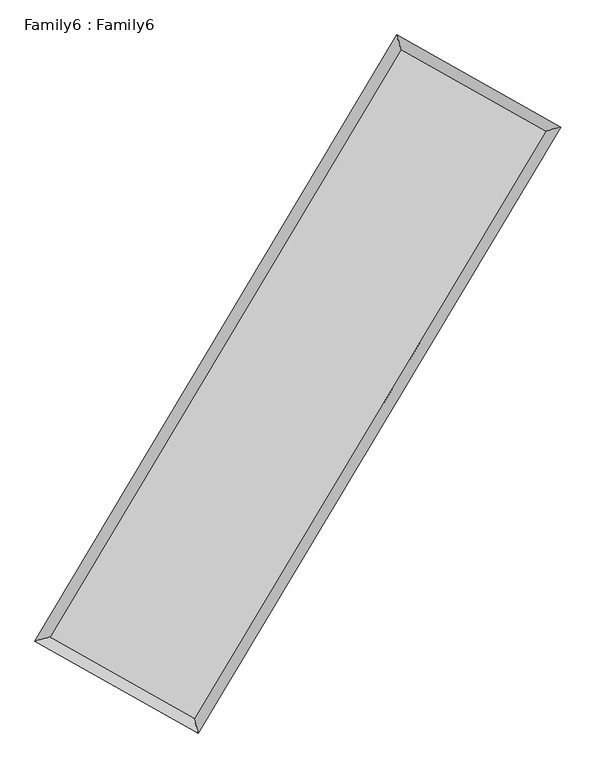
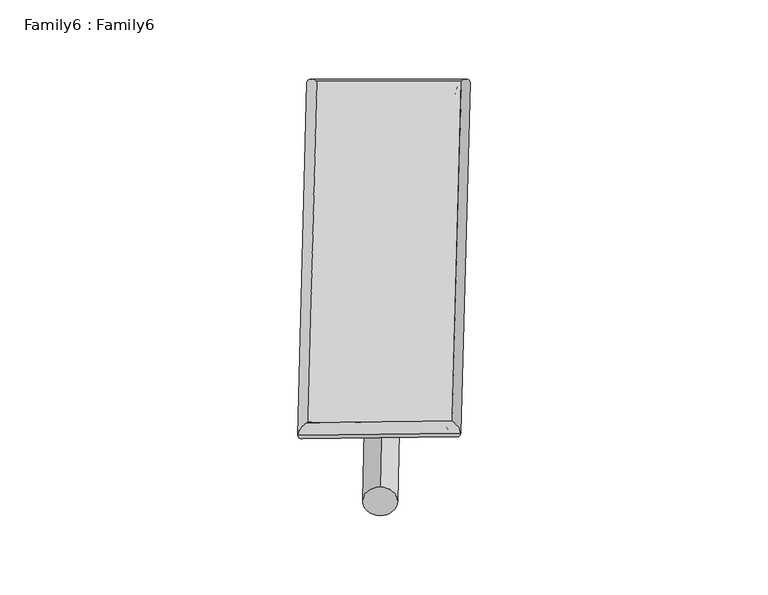
"""IFC4 building model written with IfcOpenShell, lengths in millimetres: plate geometry, Family6 : Family6."""

from ifc_helpers import new_model, si_unit, point, frame, origin, origin_2d, place, context, project, spatial, circle_curve, ellipse_curve, trimmed, segment, composite_curve, outline, extrude, source, transform, mapped, element, save
from ifc_brep_helpers import plane_surface, cylinder_surface, spline_surface, advanced_brep


def family6_family6_e6d0226b(model_context):
    return source(origin(), model_context, "Body", "SolidModel", [
        extrude(outline(composite_curve([segment(trimmed(circle_curve(origin_2d(), 76.2), [point((-75.4341514, -10.7763074))], [point((75.4341514, 10.7763074))], False, "CARTESIAN"), True, "CONTINUOUS"), segment(trimmed(circle_curve(origin_2d(), 76.2), [point((75.4341514, 10.7763074))], [point((-75.4341514, -10.7763074))], False, "CARTESIAN"), True, "CONTINUOUS")], self_intersect=False)), frame((9144.0, 9144.0, 0.0), z_axis=(0.6751268274553689, 0.6863735258758968, 0.2703611470362158), x_axis=(-0.6782241648257735, 0.7216789620735142, -0.13853323769723053)), (0.0, 0.0, 1.0), 5594.95578),
        extrude(outline(composite_curve([segment(trimmed(circle_curve(origin_2d(), 76.2), [point((-53.8815367, 53.8815367))], [point((53.8815367, -53.8815367))], False, "CARTESIAN"), True, "CONTINUOUS"), segment(trimmed(circle_curve(origin_2d(), 76.2), [point((53.8815367, -53.8815367))], [point((-53.8815367, 53.8815367))], False, "CARTESIAN"), True, "CONTINUOUS")], self_intersect=False)), frame((9144.0, 9144.0, 0.0), z_axis=(-0.6746639771115372, -0.6868205698779629, 0.2703812544917889), x_axis=(0.6394197809432166, -0.3608271598803825, 0.678930117487202)), (0.0, 0.0, 1.0), 5594.3093898),
        extrude(outline(composite_curve([segment(trimmed(circle_curve(origin_2d(), 76.2), [point((-53.8815367, -53.8815367))], [point((53.8815367, 53.8815367))], False, "CARTESIAN"), True, "CONTINUOUS"), segment(trimmed(circle_curve(origin_2d(), 76.2), [point((53.8815367, 53.8815367))], [point((-53.8815367, -53.8815367))], False, "CARTESIAN"), True, "CONTINUOUS")], self_intersect=False)), frame((9144.0, 9144.0, 0.0), z_axis=(0.28155015508034065, 0.9188052552233251, 0.2766340780674654), x_axis=(-0.8388824779366839, 0.37565557017908907, -0.3939023747126089)), (0.0, 0.0, 1.0), 5538.5646424),
        extrude(outline(composite_curve([segment(trimmed(circle_curve(origin_2d(), 76.2), [point((-75.4341514, 10.7763074))], [point((75.4341514, -10.7763074))], False, "CARTESIAN"), True, "CONTINUOUS"), segment(trimmed(circle_curve(origin_2d(), 76.2), [point((75.4341514, -10.7763074))], [point((-75.4341514, 10.7763074))], False, "CARTESIAN"), True, "CONTINUOUS")], self_intersect=False)), frame((9144.0, 9144.0, 0.0), z_axis=(-0.2822493436779725, -0.9186095806239715, 0.27657141280183883), x_axis=(0.8757893872901437, -0.12905569532899916, 0.46512103436966096)), (0.0, 0.0, 1.0), 5539.8296952),
        advanced_brep(
        [(5158.7916432, 5245.7280426, 1514.1453873), (5580.6634872, 5357.7172159, 1514.5882937), (5580.6503126, 5357.6984311, 1511.0473944), (10758.0553678, 14027.1960019, 1530.033707), (10648.7121002, 14438.5285977, 1534.2777403), (5158.7784686, 5245.7092578, 1510.6044879), (12710.2017237, 12928.1875581, 1512.8729889), (13132.4077674, 13040.2714937, 1512.4443357), (7525.8512073, 4260.7735352, 1531.801219), (7634.9222016, 3849.3451988, 1532.5158319)],
        [
            (0, 1, ellipse_curve(frame((5369.7209779, 5301.7132369, 1512.5963908), z_axis=(-0.2565653336419183, 0.9665178823439732, -0.004172850648272163), x_axis=(-0.9664974539697403, -0.2565888236456103, -0.006696794021900211)), 218.2600539, 152.4)),
            (1, 2, ellipse_curve(frame((5369.7209779, 5301.7132369, 1512.5963908), z_axis=(-0.2565653336419183, 0.9665178823439732, -0.004172850648272163), x_axis=(-0.9664974539697403, -0.2565888236456103, -0.006696794021900211)), 218.2600539, 152.4)),
            (2, 3),
            (3, 4, ellipse_curve(frame((10703.383734, 14232.8622998, 1532.1557237), z_axis=(-0.9664184881551785, -0.25694166616492575, 0.0040355842515106995), x_axis=(0.2569111050054223, -0.9664108759898767, -0.006833951519565633)), 212.820441, 152.4)),
            (4, 0),
            (2, 5, ellipse_curve(frame((5369.7209779, 5301.7132369, 1512.5963908), z_axis=(-0.2565653336419183, 0.9665178823439732, -0.004172850648272163), x_axis=(-0.9664974539697403, -0.2565888236456103, -0.006696794021900211)), 218.2600539, 152.4)),
            (5, 0, ellipse_curve(frame((5369.7209779, 5301.7132369, 1512.5963908), z_axis=(-0.2565653336419183, 0.9665178823439732, -0.004172850648272163), x_axis=(-0.9664974539697403, -0.2565888236456103, -0.006696794021900211)), 218.2600539, 152.4)),
            (4, 3, ellipse_curve(frame((10703.383734, 14232.8622998, 1532.1557237), z_axis=(-0.9664184881551785, -0.25694166616492575, 0.0040355842515106995), x_axis=(0.2569111050054223, -0.9664108759898767, -0.006833951519565633)), 212.820441, 152.4)),
            (3, 6),
            (6, 7, ellipse_curve(frame((12921.3047455, 12984.2295259, 1512.6586623), z_axis=(-0.2565784527400588, 0.9665145148480989, 0.0041461038893268265), x_axis=(-0.9664943412575623, -0.25660164413245073, 0.006654663450098408)), 218.4189837, 152.4)),
            (7, 4),
            (7, 6, ellipse_curve(frame((12921.3047455, 12984.2295259, 1512.6586623), z_axis=(-0.2565784527400588, 0.9665145148480989, 0.0041461038893268265), x_axis=(-0.9664943412575623, -0.25660164413245073, 0.006654663450098408)), 218.4189837, 152.4)),
            (6, 8),
            (8, 9, ellipse_curve(frame((7580.3867044, 4055.059367, 1532.1585255), z_axis=(0.96660037171307, 0.25625598693402496, 0.004073151681876901), x_axis=(-0.2562250530981888, 0.9665927853702958, -0.006863631321946628)), 212.8232224, 152.4)),
            (9, 7),
            (9, 8, ellipse_curve(frame((7580.3867044, 4055.059367, 1532.1585255), z_axis=(0.96660037171307, 0.25625598693402496, 0.004073151681876901), x_axis=(-0.2562250530981888, 0.9665927853702958, -0.006863631321946628)), 212.8232224, 152.4)),
            (8, 1),
            (5, 9),
        ],
        [
            cylinder_surface(frame((5369.7209779, 5301.7132369, 1512.5963908), z_axis=(-0.5127247704129254, -0.8585509737404925, -0.0018802378214563698), x_axis=(-0.8585013855784255, 0.5126686763962472, 0.012091286203038579)), 152.4),
            cylinder_surface(frame((10703.383734, 14232.8622998, 1532.1557237), z_axis=(-0.8713732694135579, 0.49056085264140176, 0.0076599743647143195), x_axis=(0.4906081210530843, 0.8713563968004334, 0.006457655280974445)), 152.4),
            cylinder_surface(frame((12921.3047455, 12984.2295259, 1512.6586623), z_axis=(0.5133223754224265, 0.8581938163539845, -0.0018741564665233556), x_axis=(0.8581957066102269, -0.5133223754224264, 0.0005177320260362934)), 152.4),
            cylinder_surface(frame((7580.3867044, 4055.059367, 1532.1585255), z_axis=(0.8710180645135511, -0.49119051688310394, 0.00770762059112565), x_axis=(-0.49116384734234775, -0.871051871857605, -0.005168326346668408)), 152.4),
        ],
        [
            (0, [[1, 2, 3, 4, 5]]),
            (0, [[6, 7, -5, 8, -3]]),
            (1, [[-4, 9, 10, 11]]),
            (1, [[-8, -11, 12, -9]]),
            (2, [[-10, 13, 14, 15]]),
            (2, [[-12, -15, 16, -13]]),
            (3, [[-14, 17, -1, -7, 18]]),
            (3, [[-16, -18, -6, -2, -17]]),
        ],
    ),
        extrude(outline(composite_curve([segment(trimmed(circle_curve(origin_2d(), 304.8), [point((0.0, 304.8))], [point((0.0, -304.8))], False, "CARTESIAN"), True, "CONTINUOUS"), segment(trimmed(circle_curve(origin_2d(), 304.8), [point((0.0, -304.8))], [point((0.0, 304.8))], False, "CARTESIAN"), True, "CONTINUOUS")], self_intersect=False)), frame((11812.6976701, 13632.9805816, -0.0004636), z_axis=(-0.5110151371392864, -0.8595717128980622, 8.877623329166313e-08), x_axis=(-0.8595717128980664, 0.5110151371392863, -2.4395939514237692e-08)), (0.0, 0.0, 1.0), 10444.6912672),
        advanced_brep(
        [(5369.7209779, 5301.7132369, 1512.5963908), (7580.3867044, 4055.059367, 1532.1585255), (7580.386261, 4055.059154, 1684.5585255), (5369.7205344, 5301.7130239, 1664.9963908), (12921.3047455, 12984.2295259, 1512.6586623), (12921.304302, 12984.2293129, 1665.0586623), (10703.383734, 14232.8622998, 1532.1557237), (10703.3832905, 14232.8620869, 1684.5557237)],
        [
            (0, 1),
            (1, 2),
            (2, 3),
            (3, 0),
            (1, 4),
            (4, 5),
            (5, 2),
            (4, 6),
            (6, 7),
            (7, 5),
            (6, 0),
            (3, 7),
        ],
        [
            plane_surface(frame((6475.0538412, 4678.3863019, 1522.3774582), z_axis=(-0.49120508994254375, -0.8710439481493076, -2.646523517232848e-06), x_axis=(0.8710180645135508, -0.4911905168831043, 0.007707620591125643))),
            plane_surface(frame((10250.845725, 8519.6444464, 1522.4085939), z_axis=(0.8581953252559281, -0.5133232740736614, 1.7801060479105246e-06), x_axis=(0.5133223754224266, 0.8581938163539845, -0.0018741564665233636))),
            plane_surface(frame((11812.3442398, 13608.5459128, 1522.407193), z_axis=(0.4905752628097594, 0.8713988245987819, 2.6451865714626106e-06), x_axis=(-0.8713732694135577, 0.4905608526414021, 0.007659974364714318))),
            plane_surface(frame((8036.5523559, 9767.2877683, 1522.3760572), z_axis=(-0.8585524896404054, 0.5127256796076104, -1.7819804203156406e-06), x_axis=(-0.5127247704129256, -0.8585509737404922, -0.001880237821456371))),
            spline_surface(1, 1, [[(7580.386261, 4055.059154, 1684.5585255), (5369.7205344, 5301.7130239, 1664.9963908)], [(12921.304302, 12984.2293129, 1665.0586623), (10703.3832905, 14232.8620869, 1684.5557237)]], [2, 2], [2, 2], [0.0, 1.0], [0.0, 1.0]),
            spline_surface(1, 1, [[(10703.383734, 14232.8622998, 1532.1557237), (5369.7209779, 5301.7132369, 1512.5963908)], [(12921.3047455, 12984.2295259, 1512.6586623), (7580.3867044, 4055.059367, 1532.1585255)]], [2, 2], [2, 2], [0.0, 1.0], [0.0, 1.0]),
        ],
        [
            (0, [[1, 2, 3, 4]]),
            (1, [[5, 6, 7, -2]]),
            (2, [[8, 9, 10, -6]]),
            (3, [[11, -4, 12, -9]]),
            (4, [[-3, -7, -10, -12]]),
            (5, [[-11, -8, -5, -1]]),
        ],
    ),
    ])


if __name__ == "__main__":
    model = new_model("IFC4")
    model_context = context("Model", 3, world=origin())
    ifc_project = project(units=[si_unit("LENGTHUNIT", "METRE", prefix="MILLI")], contexts=[model_context])
    site = spatial("IfcSite", under=ifc_project)
    building = spatial("IfcBuilding", under=site)
    placement = place(None, origin())
    family6_family6_shape = family6_family6_e6d0226b(model_context)
    element("IfcPlate", 1, ObjectType="Family6 : Family6", at=placement, inside=building, context=model_context, shape_type="MappedRepresentation", body=[
        mapped(family6_family6_shape, transform((0.0, 0.0, 0.0), x_axis=(1.0, 0.0, 0.0), y_axis=(0.0, 1.0, 0.0), z_axis=(0.0, 0.0, 1.0))),
    ])
    save(model, "model.ifc")
